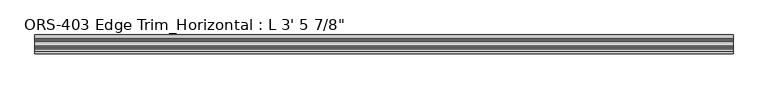
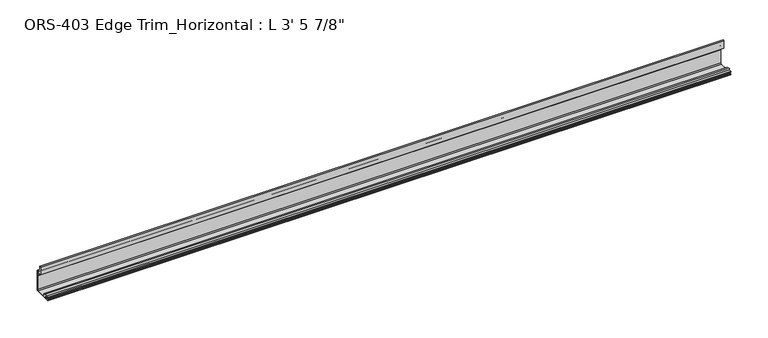
"""IFC4 building model written with IfcOpenShell, lengths in millimetres: proxy geometry."""

from ifc_helpers import new_model, si_unit, point, frame, frame_2d, origin, place, context, project, spatial, polyline, circle_curve, trimmed, segment, composite_curve, outline, extrude, source, transform, mapped, element, save


def proxy_e43d9a52(model_context):
    return source(origin(), model_context, "Body", "SweptSolid", [
        extrude(outline(composite_curve([segment(polyline([(19.6849659, 33.4151698), (19.6849659, 0.0), (-8.8900341, 0.0), (-8.8900341, 1.6395301), (-7.4768015, 1.6395301), (-6.695594, 1.3857004), (-5.9143865, 1.6395301), (-5.133179, 1.3857004), (-4.3519716, 1.6395301), (-3.5707641, 1.3857004), (-2.7895566, 1.6395301), (-2.0083491, 1.3857004), (-1.2271416, 1.6395301), (-0.4459342, 1.3857004), (-0.4459342, 4.3039002), (-1.2271416, 4.0500705), (-2.0083491, 4.3039002), (-2.7895566, 4.0500705), (-3.5707641, 4.3039002), (-4.3519716, 4.0500705), (-5.133179, 4.3039002), (-5.9143865, 4.0500705), (-6.695594, 4.3039002), (-7.4768015, 4.0500705), (-8.8900341, 4.0500705), (-8.8900341, 5.6896), (-5.0673341, 5.6896)]), True, "CONTINUOUS"), segment(trimmed(circle_curve(frame_2d((-3.4925341, 5.6896)), 1.5748), [point((-5.0673341, 5.6896))], [point((-1.9177341, 5.6896))], False, "CARTESIAN"), True, "CONTINUOUS"), segment(polyline([(-1.9177341, 5.6896), (1.2699659, 5.6896), (1.2699659, 3.1623)]), True, "CONTINUOUS"), segment(trimmed(circle_curve(frame_2d((2.8574659, 3.1623)), 1.5875), [point((1.2699659, 3.1623))], [point((2.8574659, 1.5748))], True, "CARTESIAN"), True, "CONTINUOUS"), segment(polyline([(2.8574659, 1.5748), (16.5226659, 1.5748)]), True, "CONTINUOUS"), segment(trimmed(circle_curve(frame_2d((16.5226659, 3.1623)), 1.5875), [point((16.5226659, 1.5748))], [point((18.1101659, 3.1623))], True, "CARTESIAN"), True, "CONTINUOUS"), segment(polyline([(18.1101659, 3.1623), (18.1101659, 24.5876618), (18.5286393, 25.3762055), (18.5286393, 26.1600648), (18.1101659, 26.9486086), (18.1101659, 30.5703698)]), True, "CONTINUOUS"), segment(trimmed(circle_curve(frame_2d((16.8401659, 30.5703698)), 1.27), [point((18.1101659, 30.5703698))], [point((16.8401659, 31.8403698))], True, "CARTESIAN"), True, "CONTINUOUS"), segment(polyline([(16.8401659, 31.8403698), (10.1599659, 31.8403698), (10.1599659, 43.9251729)]), True, "CONTINUOUS"), segment(trimmed(circle_curve(frame_2d((11.3526424, 42.8344152)), 1.6162393), [point((10.1599659, 43.9251729))], [point((12.4813352, 43.9912567))], False, "CARTESIAN"), True, "CONTINUOUS"), segment(polyline([(12.4813352, 43.9912567), (14.292309, 33.4151698), (19.6849659, 33.4151698)]), True, "CONTINUOUS")], self_intersect=False)), frame((0.0, 0.0, 0.0), z_axis=(1.0, 0.0, 0.0), x_axis=(0.0, 1.0, 0.0)), (0.0, 0.0, 1.0), 1063.625),
    ])


if __name__ == "__main__":
    model = new_model("IFC4")
    model_context = context("Model", 3, world=origin())
    ifc_project = project(units=[si_unit("LENGTHUNIT", "METRE", prefix="MILLI")], contexts=[model_context])
    site = spatial("IfcSite", under=ifc_project)
    building = spatial("IfcBuilding", under=site)
    placement = place(None, origin())
    proxy_shape = proxy_e43d9a52(model_context)
    element("IfcBuildingElementProxy", 1, Name="ORS-403 Edge Trim_Horizontal : L 3' 5 7/8\"", ObjectType="ORS-403 Edge Trim_Horizontal : L 3' 5 7/8\"", at=placement, inside=building, context=model_context, shape_type="MappedRepresentation", body=[
        mapped(proxy_shape, transform((0.0, 0.0, 0.0), x_axis=(1.0, 0.0, 0.0), y_axis=(0.0, 1.0, 0.0), z_axis=(0.0, 0.0, 1.0))),
    ])
    save(model, "model.ifc")
